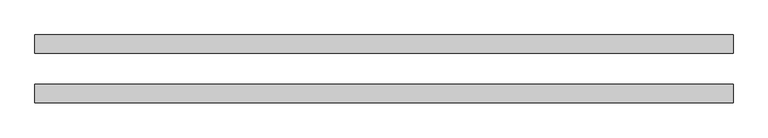
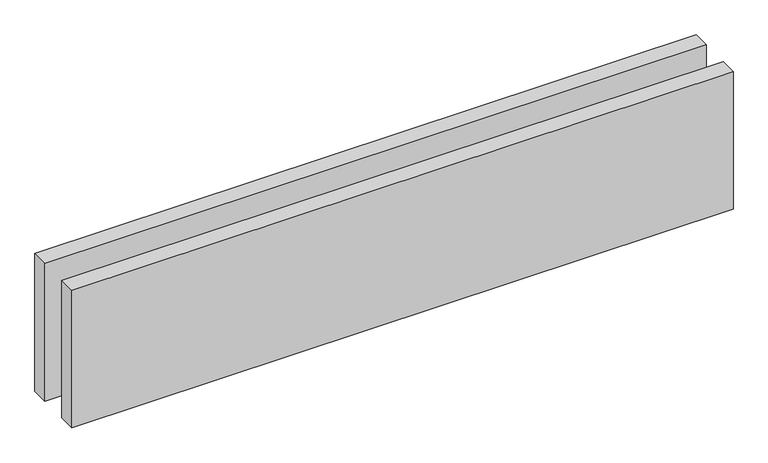
"""IFC4 building model written with IfcOpenShell, lengths in millimetres: proxy geometry."""

import ifcopenshell
import ifcopenshell.guid

model = None  # the IFC model being written
_history = None  # IfcOwnerHistory: only IFC2X3 demands one
_inside = {}  # id of a spatial element -> (the spatial element, [elements in it])
_under = {}  # id of a project, library or spatial element -> (it, [spatial elements below it])
_declared = {}  # id of a project -> (the project, [libraries it declares])
_typed = {}  # id of a type object -> (the type object, [elements of that type])
_made_of = {}  # id of a material, layer set ... -> (it, [elements and type objects made of it])


def new_model(schema):
    """Start an empty IFC model of exactly this schema.

    Asked for "IFC4X3", IfcOpenShell would pick the latest addendum, in which some entities
    have other attributes; the version numbers below select the first issue.
    IFC2X3 requires an IfcOwnerHistory on every rooted entity: one is made here for all.
    """
    global model, _history
    if schema == "IFC4X3":
        model = ifcopenshell.file(schema_version=(4, 3, 0, 0))
    else:
        model = ifcopenshell.file(schema=schema)
    _inside.clear()
    _under.clear()
    _declared.clear()
    _typed.clear()
    _made_of.clear()
    _history = None
    if model.schema == "IFC2X3":
        org = make("IfcOrganization", Name="unknown")
        user = make(
            "IfcPersonAndOrganization",
            ThePerson=make("IfcPerson", FamilyName="unknown"),
            TheOrganization=org,
        )
        app = make(
            "IfcApplication",
            ApplicationDeveloper=org,
            Version="unknown",
            ApplicationFullName="unknown",
            ApplicationIdentifier="unknown",
        )
        _history = make(
            "IfcOwnerHistory",
            OwningUser=user,
            OwningApplication=app,
            ChangeAction="ADDED",
            CreationDate=0,
        )
    return model


def make(cls, **values):
    """One entity of the class cls with the attributes given. An attribute that is None is left unset."""
    return model.create_entity(
        cls, **{name: value for name, value in values.items() if value is not None}
    )


def rooted(cls, **values):
    """An entity with a GlobalId (a new one), such as an element, a storey or a relation."""
    return make(cls, GlobalId=ifcopenshell.guid.new(), OwnerHistory=_history, **values)


def si_unit(unit_type, name, prefix=None):
    """IfcSIUnit, for example si_unit("LENGTHUNIT", "METRE", prefix="MILLI")."""
    return make("IfcSIUnit", UnitType=unit_type, Prefix=prefix, Name=name)


def assignment(units):
    """IfcUnitAssignment: the units of a project."""
    return None if units is None else make("IfcUnitAssignment", Units=units)


def point(xyz):
    """IfcCartesianPoint."""
    return None if xyz is None else make("IfcCartesianPoint", Coordinates=xyz)


def direction(xyz):
    """IfcDirection."""
    return None if xyz is None else make("IfcDirection", DirectionRatios=xyz)


def frame(location, z_axis=None, x_axis=None):
    """IfcAxis2Placement3D, a coordinate frame: its origin and axes. An axis left out is left unset."""
    return make(
        "IfcAxis2Placement3D",
        Location=point(location),
        Axis=direction(z_axis),
        RefDirection=direction(x_axis),
    )


def origin():
    """The frame at (0, 0, 0) with its axes left unset."""
    return frame((0.0, 0.0, 0.0))


def origin_with_axes():
    """The frame at (0, 0, 0) with the z axis (0, 0, 1) and the x axis (1, 0, 0) written out."""
    return frame((0.0, 0.0, 0.0), z_axis=(0.0, 0.0, 1.0), x_axis=(1.0, 0.0, 0.0))


def place(relative_to, where):
    """IfcLocalPlacement: puts the frame where relative to a parent placement (None: the world)."""
    return make(
        "IfcLocalPlacement", PlacementRelTo=relative_to, RelativePlacement=where
    )


def context(
    kind, dimensions, precision=None, world=None, true_north=None, identifier=None
):
    """IfcGeometricRepresentationContext, for example the 3D "Model" context."""
    return make(
        "IfcGeometricRepresentationContext",
        ContextIdentifier=identifier,
        ContextType=kind,
        CoordinateSpaceDimension=dimensions,
        Precision=precision,
        WorldCoordinateSystem=world,
        TrueNorth=true_north,
    )


def project(units=None, contexts=None):
    """IfcProject with its units and contexts."""
    return rooted(
        "IfcProject",
        Name="project",
        RepresentationContexts=contexts,
        UnitsInContext=assignment(units),
    )


def spatial(cls, under=None, at=None, **own):
    """A site, building, storey or space (cls), placed at a placement, below another one or the project."""
    s = rooted(cls, ObjectPlacement=at, **own)
    if under is not None:
        _under.setdefault(under.id(), (under, []))[1].append(s)
    return s


def polyline(points):
    """IfcPolyline through the points."""
    return make("IfcPolyline", Points=[point(p) for p in points])


def outline(outer, holes=None, kind="AREA"):
    """IfcArbitraryClosedProfileDef: a profile drawn as a closed curve; with holes, ...WithVoids."""
    if holes is None:
        return make("IfcArbitraryClosedProfileDef", ProfileType=kind, OuterCurve=outer)
    return make(
        "IfcArbitraryProfileDefWithVoids",
        ProfileType=kind,
        OuterCurve=outer,
        InnerCurves=holes,
    )


def extrude(swept, where, along, depth):
    """IfcExtrudedAreaSolid: the profile swept, set in the frame where, extruded along a direction by depth."""
    return make(
        "IfcExtrudedAreaSolid",
        SweptArea=swept,
        Position=where,
        ExtrudedDirection=direction(along),
        Depth=depth,
    )


def shape(context_of_items, identifier, shape_type, items):
    """IfcShapeRepresentation: the items that make up one representation, for example the "Body"."""
    return make(
        "IfcShapeRepresentation",
        ContextOfItems=context_of_items,
        RepresentationIdentifier=identifier,
        RepresentationType=shape_type,
        Items=items,
    )


def source(mapping_origin, context_of_items, identifier, shape_type, items):
    """IfcRepresentationMap: a shape defined once, which mapped items show again and again."""
    return make(
        "IfcRepresentationMap",
        MappingOrigin=mapping_origin,
        MappedRepresentation=shape(context_of_items, identifier, shape_type, items),
    )


def transform(
    local_origin,
    x_axis=None,
    y_axis=None,
    z_axis=None,
    scale=None,
    scale2=None,
    scale3=None,
    uniform=True,
):
    """IfcCartesianTransformationOperator3D, or its non-uniform kind. x_axis, y_axis, z_axis: its Axis1, 2, 3."""
    if uniform:
        return make(
            "IfcCartesianTransformationOperator3D",
            Axis1=direction(x_axis),
            Axis2=direction(y_axis),
            LocalOrigin=point(local_origin),
            Scale=scale,
            Axis3=direction(z_axis),
        )
    return make(
        "IfcCartesianTransformationOperator3DnonUniform",
        Axis1=direction(x_axis),
        Axis2=direction(y_axis),
        LocalOrigin=point(local_origin),
        Scale=scale,
        Axis3=direction(z_axis),
        Scale2=scale2,
        Scale3=scale3,
    )


def mapped(mapping_source, mapping_target):
    """IfcMappedItem: shows the shape of a source again, moved by a transform."""
    return make(
        "IfcMappedItem", MappingSource=mapping_source, MappingTarget=mapping_target
    )


def made_of(thing, what):
    """Note that an element or type object is made of a material, layer set ...; save() writes the relation."""
    if what is not None:
        _made_of.setdefault(what.id(), (what, []))[1].append(thing)
    return thing


def element(
    cls,
    number,
    at=None,
    inside=None,
    cuts=None,
    type_object=None,
    material=None,
    context=None,
    identifier="Body",
    shape_type=None,
    held_by="IfcProductDefinitionShape",
    body=None,
    shapes=None,
    **own,
):
    """One element of the class cls, such as IfcWall. Its Tag is "e" and its number.

    at: its placement. inside: the storey or other place that contains it. cuts: it is an
    opening in that element (IfcRelVoidsElement). A single representation is given by context,
    identifier, shape_type and body (its items); several are given by shapes. held_by: the class
    of the entity that holds the representations. save() writes the other relations.
    """
    e = rooted(cls, Tag="e%d" % number, ObjectPlacement=at, **own)
    if body is not None:
        shapes = [shape(context, identifier, shape_type, body)]
    if shapes is not None:
        e.Representation = make(held_by, Representations=shapes)
    if inside is not None:
        _inside.setdefault(inside.id(), (inside, []))[1].append(e)
    if cuts is not None:
        rooted(
            "IfcRelVoidsElement", RelatingBuildingElement=cuts, RelatedOpeningElement=e
        )
    if type_object is not None:
        _typed.setdefault(type_object.id(), (type_object, []))[1].append(e)
    return made_of(e, material)


def aggregate(whole, parts):
    """IfcRelAggregates: a whole, such as a stair, and the parts it consists of."""
    return rooted("IfcRelAggregates", RelatingObject=whole, RelatedObjects=parts)


def save(model, path):
    """Write the relations noted so far, then the file.

    IfcRelAggregates (storeys below a building ...), IfcRelContainedInSpatialStructure (elements
    in a storey), IfcRelDefinesByType, IfcRelAssociatesMaterial and IfcRelDeclares: one each for
    every whole, place, type object, material and project.
    """
    for whole, parts in _under.values():
        aggregate(whole, parts)
    for where, things in _inside.values():
        rooted(
            "IfcRelContainedInSpatialStructure",
            RelatedElements=things,
            RelatingStructure=where,
        )
    for kind, things in _typed.values():
        rooted("IfcRelDefinesByType", RelatedObjects=things, RelatingType=kind)
    for what, things in _made_of.values():
        rooted("IfcRelAssociatesMaterial", RelatedObjects=things, RelatingMaterial=what)
    for by, libraries in _declared.values():
        rooted("IfcRelDeclares", RelatingContext=by, RelatedDefinitions=libraries)
    model.write(path)


def generic_models_330ffaeb(model_context):
    return source(origin(), model_context, "Body", "SweptSolid", [
        extrude(outline(polyline([(1135.0, -25.0), (1135.0, -55.0), (0.0, -55.0), (0.0, -25.0), (1135.0, -25.0)])), origin_with_axes(), (0.0, 0.0, 1.0), 250.0),
        extrude(outline(polyline([(1135.0, 55.0), (1135.0, 25.0), (0.0, 25.0), (0.0, 55.0), (1135.0, 55.0)])), origin_with_axes(), (0.0, 0.0, 1.0), 250.0),
    ])


if __name__ == "__main__":
    model = new_model("IFC4")
    model_context = context("Model", 3, world=origin())
    ifc_project = project(units=[si_unit("LENGTHUNIT", "METRE", prefix="MILLI")], contexts=[model_context])
    site = spatial("IfcSite", under=ifc_project)
    building = spatial("IfcBuilding", under=site)
    placement = place(None, origin())
    generic_models_shape = generic_models_330ffaeb(model_context)
    element("IfcBuildingElementProxy", 1, Name="Generic Models", at=placement, inside=building, context=model_context, shape_type="MappedRepresentation", body=[
        mapped(generic_models_shape, transform((0.0, 0.0, 0.0), x_axis=(1.0, 0.0, 0.0), y_axis=(0.0, 1.0, 0.0), z_axis=(0.0, 0.0, 1.0))),
    ])
    save(model, "model.ifc")
